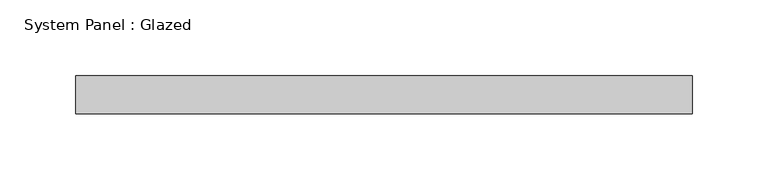
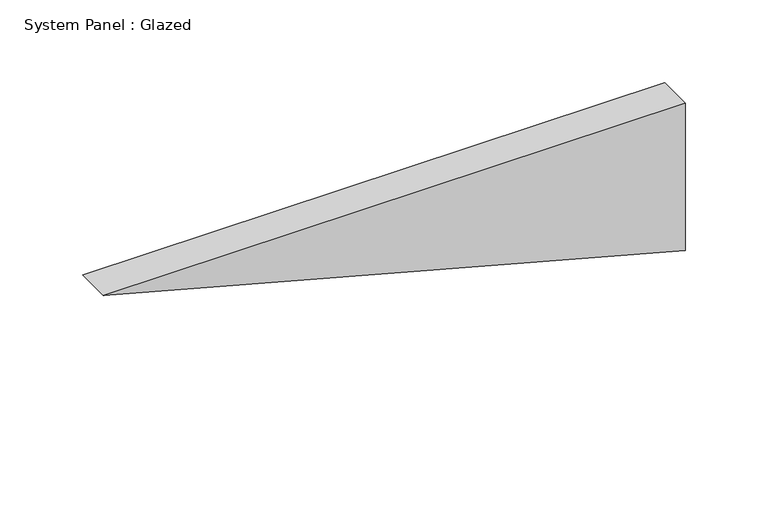
"""IFC4 building model written with IfcOpenShell, lengths in millimetres: plate geometry, System Panel : Glazed."""

from ifc_helpers import new_model, si_unit, frame, origin, place, context, project, spatial, polyline, outline, extrude, source, transform, mapped, element, save


def system_panel_glazed_b404be21(model_context):
    return source(origin(), model_context, "Body", "SweptSolid", [
        extrude(outline(polyline([(108.9419717, -203.2884867), (0.0, 203.2884867), (108.9419717, 203.2884867), (108.9419717, -203.2884867)])), frame((0.0, -22.5, 0.0), z_axis=(0.0, 1.0, 0.0), x_axis=(0.0, 0.0, 1.0)), (0.0, 0.0, 1.0), 25.0),
    ])


if __name__ == "__main__":
    model = new_model("IFC4")
    model_context = context("Model", 3, world=origin())
    ifc_project = project(units=[si_unit("LENGTHUNIT", "METRE", prefix="MILLI")], contexts=[model_context])
    site = spatial("IfcSite", under=ifc_project)
    building = spatial("IfcBuilding", under=site)
    placement = place(None, origin())
    system_panel_glazed_shape = system_panel_glazed_b404be21(model_context)
    element("IfcPlate", 1, ObjectType="System Panel : Glazed", at=placement, inside=building, context=model_context, shape_type="MappedRepresentation", body=[
        mapped(system_panel_glazed_shape, transform((0.0, 0.0, 0.0), x_axis=(1.0, 0.0, 0.0), y_axis=(0.0, 1.0, 0.0), z_axis=(0.0, 0.0, 1.0))),
    ])
    save(model, "model.ifc")
